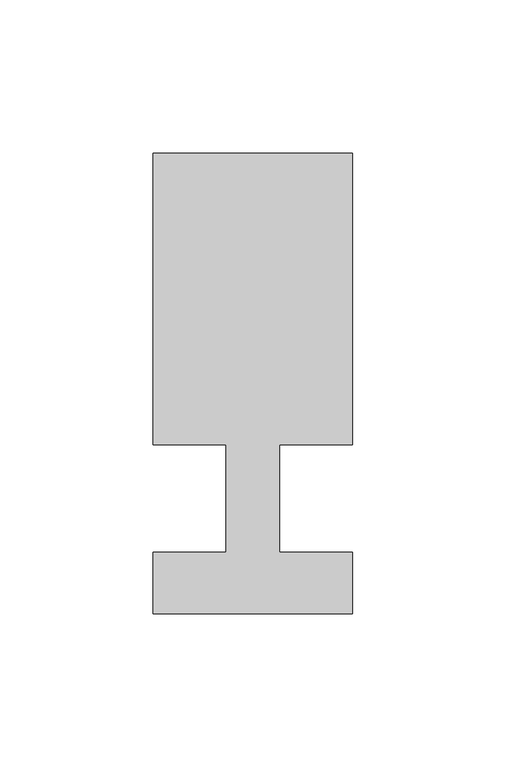
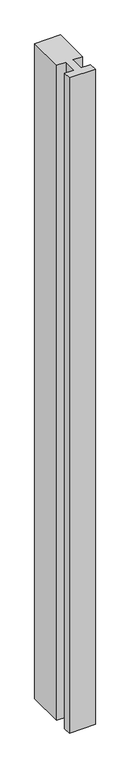
"""IFC4 building model written with IfcOpenShell, lengths in millimetres: member geometry."""

from ifc_helpers import new_model, si_unit, frame, origin, place, context, project, spatial, polyline, outline, extrude, source, transform, mapped, element, save


def member_79f7cf96(model_context):
    return source(origin(), model_context, "Body", "SweptSolid", [
        extrude(outline(polyline([(-32.5, -37.0), (-32.5, -17.0), (-8.6875, -17.0), (-8.6875, 18.0), (-32.5, 18.0), (-32.5, 113.0), (32.5, 113.0), (32.5, 18.0), (8.6875, 18.0), (8.6875, -17.0), (32.5, -17.0), (32.5, -37.0), (-32.5, -37.0)])), frame((0.0, 0.0, -1731.0), z_axis=(0.0, 0.0, 1.0), x_axis=(1.0, 0.0, 0.0)), (0.0, 0.0, 1.0), 1731.0),
    ])


if __name__ == "__main__":
    model = new_model("IFC4")
    model_context = context("Model", 3, world=origin())
    ifc_project = project(units=[si_unit("LENGTHUNIT", "METRE", prefix="MILLI")], contexts=[model_context])
    site = spatial("IfcSite", under=ifc_project)
    building = spatial("IfcBuilding", under=site)
    placement = place(None, origin())
    member_shape = member_79f7cf96(model_context)
    element("IfcMember", 1, at=placement, inside=building, context=model_context, shape_type="MappedRepresentation", body=[
        mapped(member_shape, transform((0.0, 0.0, 0.0), x_axis=(1.0, 0.0, 0.0), y_axis=(0.0, 1.0, 0.0), z_axis=(0.0, 0.0, 1.0))),
    ])
    save(model, "model.ifc")
